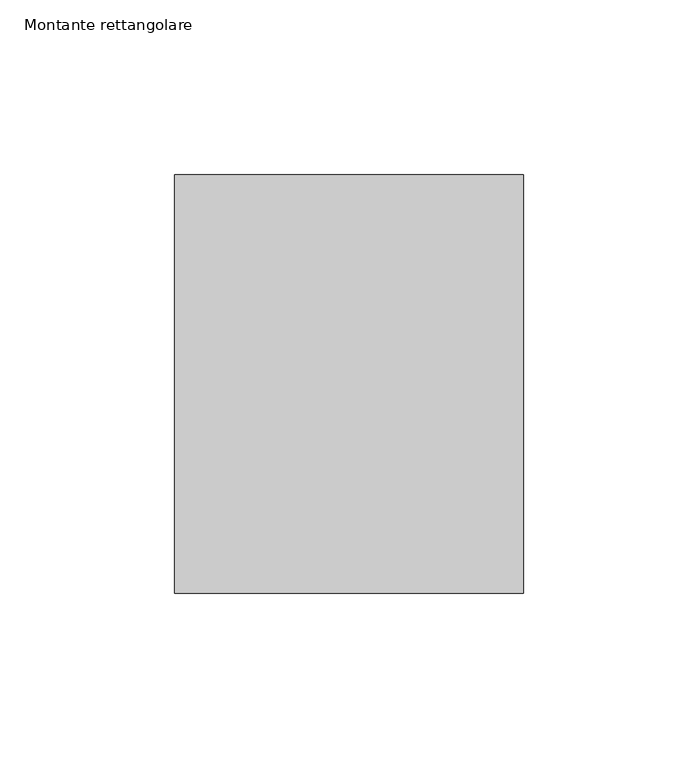
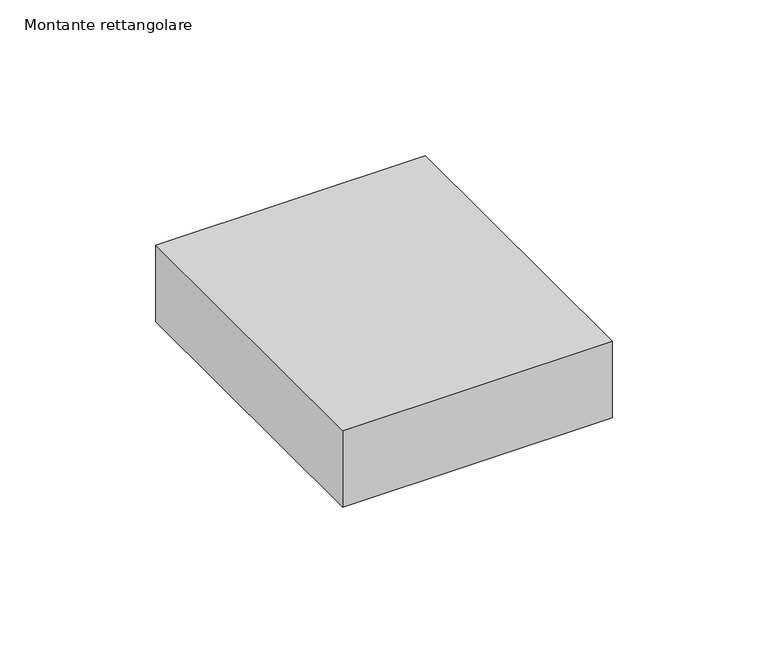
"""IFC4 building model written with IfcOpenShell, lengths in millimetres: member geometry, Montante rettangolare."""

from ifc_helpers import new_model, si_unit, frame, origin, place, context, project, spatial, polyline, outline, extrude, source, transform, mapped, element, save


def montante_rettangolare_1e8ef4ae(model_context):
    return source(origin(), model_context, "Body", "SweptSolid", [
        extrude(outline(polyline([(0.0, 60.0), (0.0, -60.0), (-100.0, -60.0), (-100.0, 60.0), (0.0, 60.0)])), frame((0.0, 0.0, -30.0), z_axis=(0.0, 0.0, 1.0), x_axis=(1.0, 0.0, 0.0)), (0.0, 0.0, 1.0), 30.0),
    ])


if __name__ == "__main__":
    model = new_model("IFC4")
    model_context = context("Model", 3, world=origin())
    ifc_project = project(units=[si_unit("LENGTHUNIT", "METRE", prefix="MILLI")], contexts=[model_context])
    site = spatial("IfcSite", under=ifc_project)
    building = spatial("IfcBuilding", under=site)
    placement = place(None, origin())
    montante_rettangolare_shape = montante_rettangolare_1e8ef4ae(model_context)
    element("IfcMember", 1, ObjectType="Montante rettangolare", at=placement, inside=building, context=model_context, shape_type="MappedRepresentation", body=[
        mapped(montante_rettangolare_shape, transform((0.0, 0.0, 0.0), x_axis=(1.0, 0.0, 0.0), y_axis=(0.0, 1.0, 0.0), z_axis=(0.0, 0.0, 1.0))),
    ])
    save(model, "model.ifc")
